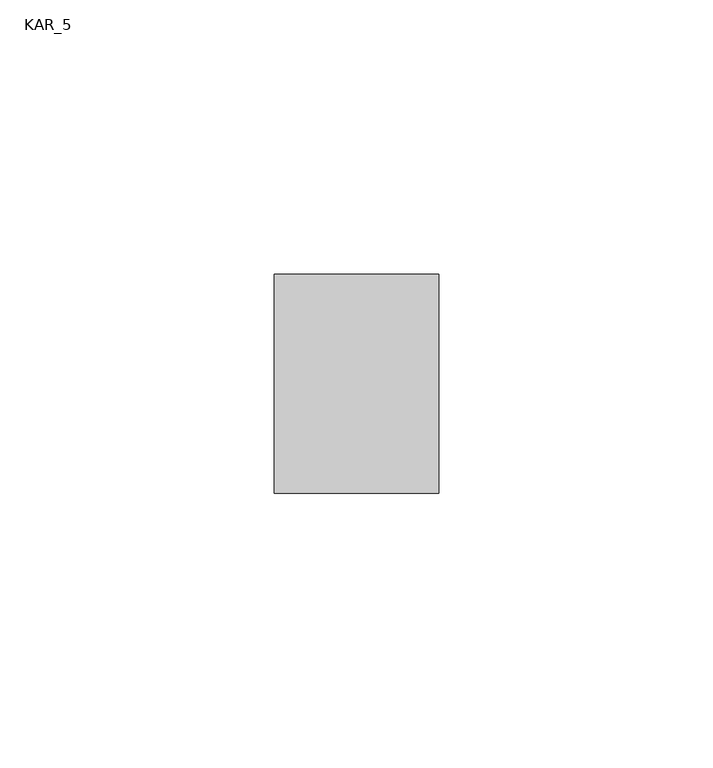
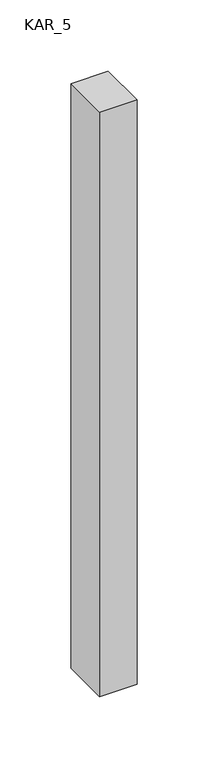
"""IFC4 building model written with IfcOpenShell, lengths in millimetres: proxy geometry, KAR_5."""

from ifc_helpers import new_model, si_unit, frame, origin, place, context, project, spatial, polyline, outline, extrude, source, transform, mapped, element, save


def kar_5_054ca902(model_context):
    return source(origin(), model_context, "Body", "SweptSolid", [
        extrude(outline(polyline([(30.0, 40.0), (30.0, 0.0), (0.0, 0.0), (0.0, 40.0), (30.0, 40.0)])), frame((0.0, 0.0, 2100.0), z_axis=(0.0, 0.0, 1.0), x_axis=(1.0, 0.0, 0.0)), (0.0, 0.0, 1.0), 500.0),
    ])


if __name__ == "__main__":
    model = new_model("IFC4")
    model_context = context("Model", 3, world=origin())
    ifc_project = project(units=[si_unit("LENGTHUNIT", "METRE", prefix="MILLI")], contexts=[model_context])
    site = spatial("IfcSite", under=ifc_project)
    building = spatial("IfcBuilding", under=site)
    placement = place(None, origin())
    kar_5_shape = kar_5_054ca902(model_context)
    element("IfcBuildingElementProxy", 1, Name="KAR_5", ObjectType="KAR_5", at=placement, inside=building, context=model_context, shape_type="MappedRepresentation", body=[
        mapped(kar_5_shape, transform((0.0, 0.0, 0.0), x_axis=(1.0, 0.0, 0.0), y_axis=(0.0, 1.0, 0.0), z_axis=(0.0, 0.0, 1.0))),
    ])
    save(model, "model.ifc")
